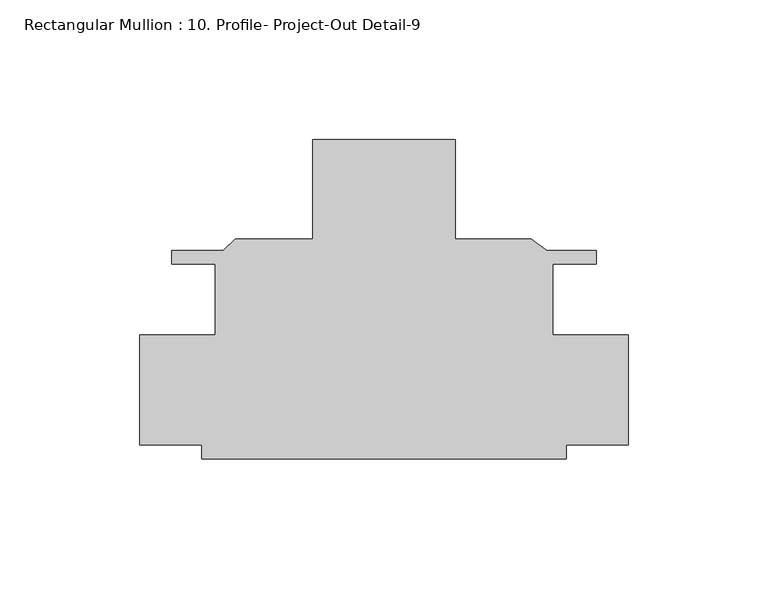
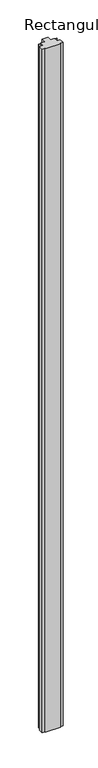
"""IFC4 building model written with IfcOpenShell, lengths in millimetres: member geometry, Rectangular Mullion : 10. Profile- Project-Out Detail-9."""

from ifc_helpers import new_model, si_unit, frame, origin, place, context, project, spatial, polyline, outline, extrude, source, transform, mapped, element, save


def rectangular_mullion_10_profile_project_out_detail_9_f90b068e(model_context):
    return source(origin(), model_context, "Body", "SweptSolid", [
        extrude(outline(polyline([(25.4, 57.1500209), (25.4, 21.6662002), (52.6881902, 21.6662002), (58.1801135, 17.3990002), (75.8261496, 17.3990002), (75.8261496, 12.7), (60.3261332, 12.7), (60.3261332, -12.7), (87.3125, -12.7), (87.3125, -52.0699998), (65.0875, -52.0699998), (65.0875, -57.1499791), (-65.0875, -57.1499791), (-65.0875, -52.0699998), (-87.3125, -52.0699998), (-87.3125, -12.6999998), (-60.3350068, -12.6999998), (-60.3350068, 12.7), (-75.8261496, 12.7), (-75.8261496, 17.3990002), (-57.4436418, 17.3990002), (-53.1764418, 21.6662002), (-25.4, 21.6662002), (-25.4, 57.1500209), (25.4, 57.1500209)])), frame((0.0, 0.0, -6096.0), z_axis=(0.0, 0.0, 1.0), x_axis=(1.0, 0.0, 0.0)), (0.0, 0.0, 1.0), 6096.0),
    ])


if __name__ == "__main__":
    model = new_model("IFC4")
    model_context = context("Model", 3, world=origin())
    ifc_project = project(units=[si_unit("LENGTHUNIT", "METRE", prefix="MILLI")], contexts=[model_context])
    site = spatial("IfcSite", under=ifc_project)
    building = spatial("IfcBuilding", under=site)
    placement = place(None, origin())
    rectangular_mullion_10_profile_project_out_detail_9_shape = rectangular_mullion_10_profile_project_out_detail_9_f90b068e(model_context)
    element("IfcMember", 1, ObjectType="Rectangular Mullion : 10. Profile- Project-Out Detail-9", at=placement, inside=building, context=model_context, shape_type="MappedRepresentation", body=[
        mapped(rectangular_mullion_10_profile_project_out_detail_9_shape, transform((0.0, 0.0, 0.0), x_axis=(1.0, 0.0, 0.0), y_axis=(0.0, 1.0, 0.0), z_axis=(0.0, 0.0, 1.0))),
    ])
    save(model, "model.ifc")
